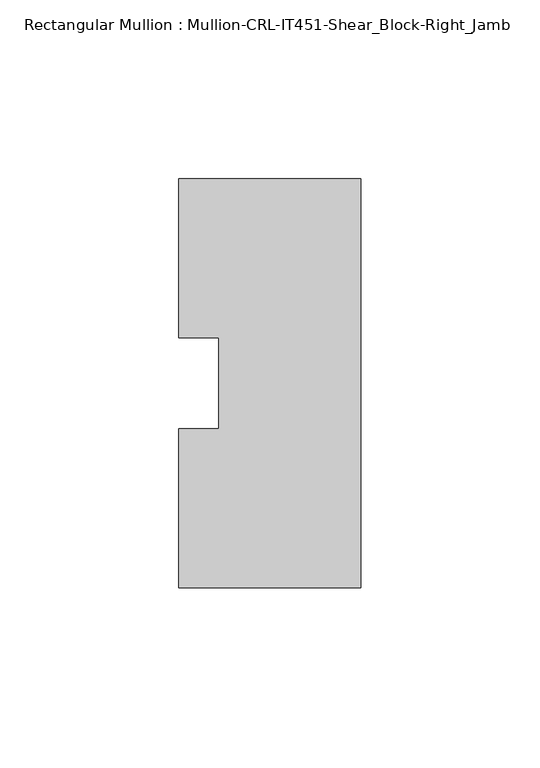
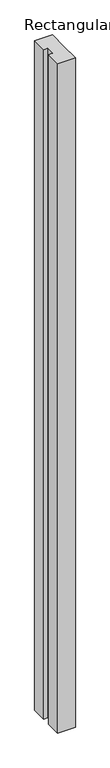
"""IFC4 building model written with IfcOpenShell, lengths in millimetres: member geometry, Rectangular Mullion : Mullion-CRL-IT451-Shear_Block-Right_Jamb."""

from ifc_helpers import new_model, si_unit, frame, origin, place, context, project, spatial, polyline, outline, extrude, source, transform, mapped, element, save


def rectangular_mullion_mullion_crl_it451_shear_block_right_jamb_1afb951b(model_context):
    return source(origin(), model_context, "Body", "SweptSolid", [
        extrude(outline(polyline([(0.0, -57.1909821), (-50.8, -57.1909821), (-50.8, -12.7), (-39.6875, -12.7), (-39.6875, 12.7), (-50.8, 12.7), (-50.8, 57.1090179), (0.0, 57.1090179), (0.0, 0.7488495), (0.0, -57.1909821)])), frame((0.0, 0.0, -2032.0), z_axis=(0.0, 0.0, 1.0), x_axis=(1.0, 0.0, 0.0)), (0.0, 0.0, 1.0), 2032.0),
    ])


if __name__ == "__main__":
    model = new_model("IFC4")
    model_context = context("Model", 3, world=origin())
    ifc_project = project(units=[si_unit("LENGTHUNIT", "METRE", prefix="MILLI")], contexts=[model_context])
    site = spatial("IfcSite", under=ifc_project)
    building = spatial("IfcBuilding", under=site)
    placement = place(None, origin())
    rectangular_mullion_mullion_crl_it451_shear_block_right_jamb_shape = rectangular_mullion_mullion_crl_it451_shear_block_right_jamb_1afb951b(model_context)
    element("IfcMember", 1, ObjectType="Rectangular Mullion : Mullion-CRL-IT451-Shear_Block-Right_Jamb", at=placement, inside=building, context=model_context, shape_type="MappedRepresentation", body=[
        mapped(rectangular_mullion_mullion_crl_it451_shear_block_right_jamb_shape, transform((0.0, 0.0, 0.0), x_axis=(1.0, 0.0, 0.0), y_axis=(0.0, 1.0, 0.0), z_axis=(0.0, 0.0, 1.0))),
    ])
    save(model, "model.ifc")
